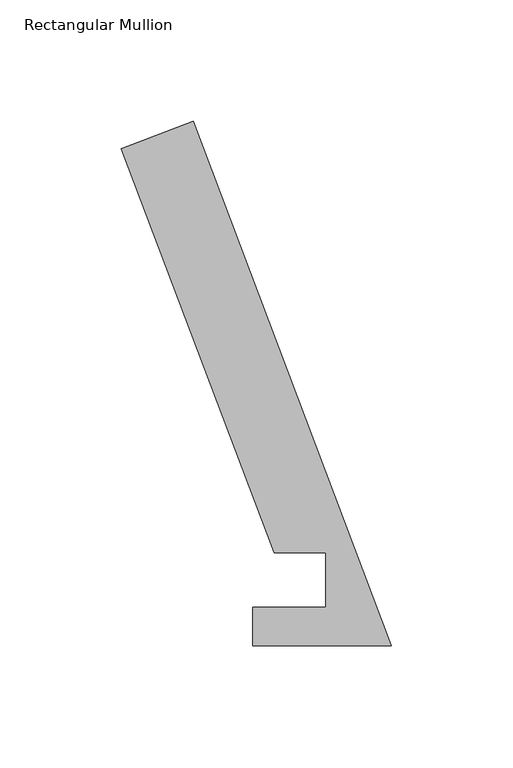
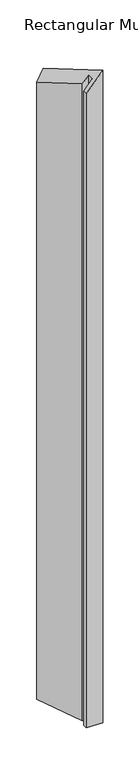
"""IFC4 building model written with IfcOpenShell, lengths in millimetres: member geometry, Rectangular Mullion."""

import ifcopenshell
import ifcopenshell.guid

model = None  # the IFC model being written
_history = None  # IfcOwnerHistory: only IFC2X3 demands one
_inside = {}  # id of a spatial element -> (the spatial element, [elements in it])
_under = {}  # id of a project, library or spatial element -> (it, [spatial elements below it])
_declared = {}  # id of a project -> (the project, [libraries it declares])
_typed = {}  # id of a type object -> (the type object, [elements of that type])
_made_of = {}  # id of a material, layer set ... -> (it, [elements and type objects made of it])


def new_model(schema):
    """Start an empty IFC model of exactly this schema.

    Asked for "IFC4X3", IfcOpenShell would pick the latest addendum, in which some entities
    have other attributes; the version numbers below select the first issue.
    IFC2X3 requires an IfcOwnerHistory on every rooted entity: one is made here for all.
    """
    global model, _history
    if schema == "IFC4X3":
        model = ifcopenshell.file(schema_version=(4, 3, 0, 0))
    else:
        model = ifcopenshell.file(schema=schema)
    _inside.clear()
    _under.clear()
    _declared.clear()
    _typed.clear()
    _made_of.clear()
    _history = None
    if model.schema == "IFC2X3":
        org = make("IfcOrganization", Name="unknown")
        user = make(
            "IfcPersonAndOrganization",
            ThePerson=make("IfcPerson", FamilyName="unknown"),
            TheOrganization=org,
        )
        app = make(
            "IfcApplication",
            ApplicationDeveloper=org,
            Version="unknown",
            ApplicationFullName="unknown",
            ApplicationIdentifier="unknown",
        )
        _history = make(
            "IfcOwnerHistory",
            OwningUser=user,
            OwningApplication=app,
            ChangeAction="ADDED",
            CreationDate=0,
        )
    return model


def make(cls, **values):
    """One entity of the class cls with the attributes given. An attribute that is None is left unset."""
    return model.create_entity(
        cls, **{name: value for name, value in values.items() if value is not None}
    )


def rooted(cls, **values):
    """An entity with a GlobalId (a new one), such as an element, a storey or a relation."""
    return make(cls, GlobalId=ifcopenshell.guid.new(), OwnerHistory=_history, **values)


def si_unit(unit_type, name, prefix=None):
    """IfcSIUnit, for example si_unit("LENGTHUNIT", "METRE", prefix="MILLI")."""
    return make("IfcSIUnit", UnitType=unit_type, Prefix=prefix, Name=name)


def assignment(units):
    """IfcUnitAssignment: the units of a project."""
    return None if units is None else make("IfcUnitAssignment", Units=units)


def point(xyz):
    """IfcCartesianPoint."""
    return None if xyz is None else make("IfcCartesianPoint", Coordinates=xyz)


def direction(xyz):
    """IfcDirection."""
    return None if xyz is None else make("IfcDirection", DirectionRatios=xyz)


def frame(location, z_axis=None, x_axis=None):
    """IfcAxis2Placement3D, a coordinate frame: its origin and axes. An axis left out is left unset."""
    return make(
        "IfcAxis2Placement3D",
        Location=point(location),
        Axis=direction(z_axis),
        RefDirection=direction(x_axis),
    )


def origin():
    """The frame at (0, 0, 0) with its axes left unset."""
    return frame((0.0, 0.0, 0.0))


def place(relative_to, where):
    """IfcLocalPlacement: puts the frame where relative to a parent placement (None: the world)."""
    return make(
        "IfcLocalPlacement", PlacementRelTo=relative_to, RelativePlacement=where
    )


def context(
    kind, dimensions, precision=None, world=None, true_north=None, identifier=None
):
    """IfcGeometricRepresentationContext, for example the 3D "Model" context."""
    return make(
        "IfcGeometricRepresentationContext",
        ContextIdentifier=identifier,
        ContextType=kind,
        CoordinateSpaceDimension=dimensions,
        Precision=precision,
        WorldCoordinateSystem=world,
        TrueNorth=true_north,
    )


def project(units=None, contexts=None):
    """IfcProject with its units and contexts."""
    return rooted(
        "IfcProject",
        Name="project",
        RepresentationContexts=contexts,
        UnitsInContext=assignment(units),
    )


def spatial(cls, under=None, at=None, **own):
    """A site, building, storey or space (cls), placed at a placement, below another one or the project."""
    s = rooted(cls, ObjectPlacement=at, **own)
    if under is not None:
        _under.setdefault(under.id(), (under, []))[1].append(s)
    return s


def faces_of(points, faces, orient=None, outer=None):
    """IfcFace entities. A face is a list of loops; a loop is a list of indices into points, from 0.

    orient and outer hold one flag for each loop. By default every Orientation is true, the
    first loop of a face is its IfcFaceOuterBound and the others are IfcFaceBound.
    """
    made = []
    for i, loops in enumerate(faces):
        bounds = []
        for j, loop in enumerate(loops):
            is_outer = j == 0 if outer is None else outer[i][j]
            bounds.append(
                make(
                    "IfcFaceOuterBound" if is_outer else "IfcFaceBound",
                    Bound=make("IfcPolyLoop", Polygon=[points[k] for k in loop]),
                    Orientation=True if orient is None else orient[i][j],
                )
            )
        made.append(make("IfcFace", Bounds=bounds))
    return made


def faceted_brep(points, faces, orient=None, outer=None, voids=None):
    """IfcFacetedBrep: a solid bounded by flat faces; with voids (closed shells), ...WithVoids."""
    shared = [point(p) for p in points]
    hull = make("IfcClosedShell", CfsFaces=faces_of(shared, faces, orient, outer))
    if voids is None:
        return make("IfcFacetedBrep", Outer=hull)
    return make(
        "IfcFacetedBrepWithVoids",
        Outer=hull,
        Voids=[
            make(cls, CfsFaces=faces_of(shared, fs, o, b)) for cls, fs, o, b in voids
        ],
    )


def shape(context_of_items, identifier, shape_type, items):
    """IfcShapeRepresentation: the items that make up one representation, for example the "Body"."""
    return make(
        "IfcShapeRepresentation",
        ContextOfItems=context_of_items,
        RepresentationIdentifier=identifier,
        RepresentationType=shape_type,
        Items=items,
    )


def source(mapping_origin, context_of_items, identifier, shape_type, items):
    """IfcRepresentationMap: a shape defined once, which mapped items show again and again."""
    return make(
        "IfcRepresentationMap",
        MappingOrigin=mapping_origin,
        MappedRepresentation=shape(context_of_items, identifier, shape_type, items),
    )


def transform(
    local_origin,
    x_axis=None,
    y_axis=None,
    z_axis=None,
    scale=None,
    scale2=None,
    scale3=None,
    uniform=True,
):
    """IfcCartesianTransformationOperator3D, or its non-uniform kind. x_axis, y_axis, z_axis: its Axis1, 2, 3."""
    if uniform:
        return make(
            "IfcCartesianTransformationOperator3D",
            Axis1=direction(x_axis),
            Axis2=direction(y_axis),
            LocalOrigin=point(local_origin),
            Scale=scale,
            Axis3=direction(z_axis),
        )
    return make(
        "IfcCartesianTransformationOperator3DnonUniform",
        Axis1=direction(x_axis),
        Axis2=direction(y_axis),
        LocalOrigin=point(local_origin),
        Scale=scale,
        Axis3=direction(z_axis),
        Scale2=scale2,
        Scale3=scale3,
    )


def mapped(mapping_source, mapping_target):
    """IfcMappedItem: shows the shape of a source again, moved by a transform."""
    return make(
        "IfcMappedItem", MappingSource=mapping_source, MappingTarget=mapping_target
    )


def made_of(thing, what):
    """Note that an element or type object is made of a material, layer set ...; save() writes the relation."""
    if what is not None:
        _made_of.setdefault(what.id(), (what, []))[1].append(thing)
    return thing


def element(
    cls,
    number,
    at=None,
    inside=None,
    cuts=None,
    type_object=None,
    material=None,
    context=None,
    identifier="Body",
    shape_type=None,
    held_by="IfcProductDefinitionShape",
    body=None,
    shapes=None,
    **own,
):
    """One element of the class cls, such as IfcWall. Its Tag is "e" and its number.

    at: its placement. inside: the storey or other place that contains it. cuts: it is an
    opening in that element (IfcRelVoidsElement). A single representation is given by context,
    identifier, shape_type and body (its items); several are given by shapes. held_by: the class
    of the entity that holds the representations. save() writes the other relations.
    """
    e = rooted(cls, Tag="e%d" % number, ObjectPlacement=at, **own)
    if body is not None:
        shapes = [shape(context, identifier, shape_type, body)]
    if shapes is not None:
        e.Representation = make(held_by, Representations=shapes)
    if inside is not None:
        _inside.setdefault(inside.id(), (inside, []))[1].append(e)
    if cuts is not None:
        rooted(
            "IfcRelVoidsElement", RelatingBuildingElement=cuts, RelatedOpeningElement=e
        )
    if type_object is not None:
        _typed.setdefault(type_object.id(), (type_object, []))[1].append(e)
    return made_of(e, material)


def aggregate(whole, parts):
    """IfcRelAggregates: a whole, such as a stair, and the parts it consists of."""
    return rooted("IfcRelAggregates", RelatingObject=whole, RelatedObjects=parts)


def save(model, path):
    """Write the relations noted so far, then the file.

    IfcRelAggregates (storeys below a building ...), IfcRelContainedInSpatialStructure (elements
    in a storey), IfcRelDefinesByType, IfcRelAssociatesMaterial and IfcRelDeclares: one each for
    every whole, place, type object, material and project.
    """
    for whole, parts in _under.values():
        aggregate(whole, parts)
    for where, things in _inside.values():
        rooted(
            "IfcRelContainedInSpatialStructure",
            RelatedElements=things,
            RelatingStructure=where,
        )
    for kind, things in _typed.values():
        rooted("IfcRelDefinesByType", RelatedObjects=things, RelatingType=kind)
    for what, things in _made_of.values():
        rooted("IfcRelAssociatesMaterial", RelatedObjects=things, RelatingMaterial=what)
    for by, libraries in _declared.values():
        rooted("IfcRelDeclares", RelatingContext=by, RelatedDefinitions=libraries)
    model.write(path)


def rectangular_mullion_f1745041(model_context):
    return source(origin(), model_context, "Body", "Brep", [
        faceted_brep([(-81.7304777, 216.3314444, -94.3742266), (0.0, 0.0380112, 0.0), (0.0, 0.0380112, -2405.5330637), (-81.7304777, 216.3314444, -2405.5330637), (-111.4308257, 205.1086181, -128.6692344), (-111.4308257, 205.1086181, -2405.5330637), (-48.4318773, 38.386739, -55.9243148), (-48.4318773, 38.386739, -2405.5330637), (-27.1188377, 38.4070265, -31.3141365), (-27.1188377, 38.4070265, -2405.5330637), (-27.171167, 15.9130112, -31.3745612), (-27.171167, 15.9130112, -2405.5330637), (-57.2922169, 15.9130112, -66.1553537), (-57.2922169, 15.9130112, -2405.5330637), (-57.2922169, 0.0380112, -66.1553537), (-57.2922169, 0.0380112, -2405.5330637)], [[[0, 1, 2, 3]], [[4, 0, 3, 5]], [[6, 4, 5, 7]], [[8, 6, 7, 9]], [[10, 8, 9, 11]], [[12, 10, 11, 13]], [[14, 12, 13, 15]], [[1, 14, 15, 2]], [[1, 0, 4, 6, 8, 10, 12, 14]], [[2, 15, 13, 11, 9, 7, 5, 3]]]),
    ])


if __name__ == "__main__":
    model = new_model("IFC4")
    model_context = context("Model", 3, world=origin())
    ifc_project = project(units=[si_unit("LENGTHUNIT", "METRE", prefix="MILLI")], contexts=[model_context])
    site = spatial("IfcSite", under=ifc_project)
    building = spatial("IfcBuilding", under=site)
    placement = place(None, origin())
    rectangular_mullion_shape = rectangular_mullion_f1745041(model_context)
    element("IfcMember", 1, ObjectType="Rectangular Mullion", at=placement, inside=building, context=model_context, shape_type="MappedRepresentation", body=[
        mapped(rectangular_mullion_shape, transform((0.0, 0.0, 0.0), x_axis=(1.0, 0.0, 0.0), y_axis=(0.0, 1.0, 0.0), z_axis=(0.0, 0.0, 1.0))),
    ])
    save(model, "model.ifc")
